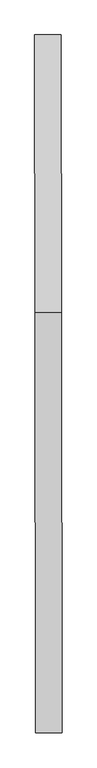
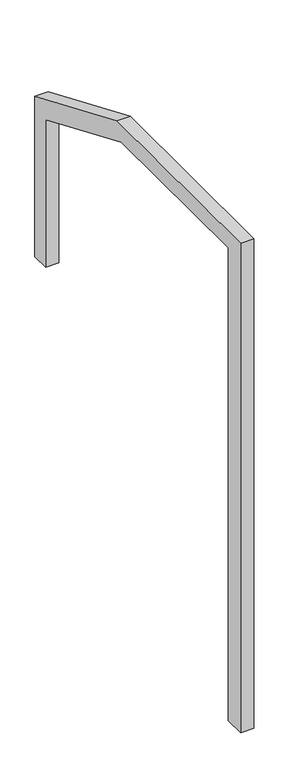
"""IFC4 building model written with IfcOpenShell, lengths in millimetres: proxy geometry."""

from ifc_helpers import new_model, si_unit, frame, origin, place, context, project, spatial, polyline, outline, extrude, source, transform, mapped, element, save


def generic_models_d37b98c9(model_context):
    return source(origin(), model_context, "Body", "SweptSolid", [
        extrude(outline(polyline([(0.0, 0.0), (0.0, 2199.0787284), (93.6670787, 2199.0787284), (93.6670787, -79.3622542), (-847.7474759, -79.3622542), (-1469.3481535, 184.4915791), (-1469.3481535, 930.721992), (-1388.8554339, 930.721992), (-1388.8554339, 244.6494434), (-812.4974637, 0.0), (0.0, 0.0)])), frame((-63951.4156485, 121479.9290485, 13360.721992), z_axis=(0.9999990131372021, 0.0014048930998798788, 0.0), x_axis=(0.0014048930998798788, -0.9999990131372021, 0.0)), (0.0, 0.0, 1.0), 59.222419),
    ])


if __name__ == "__main__":
    model = new_model("IFC4")
    model_context = context("Model", 3, world=origin())
    ifc_project = project(units=[si_unit("LENGTHUNIT", "METRE", prefix="MILLI")], contexts=[model_context])
    site = spatial("IfcSite", under=ifc_project)
    building = spatial("IfcBuilding", under=site)
    placement = place(None, origin())
    generic_models_shape = generic_models_d37b98c9(model_context)
    element("IfcBuildingElementProxy", 1, Name="Generic Models", at=placement, inside=building, context=model_context, shape_type="MappedRepresentation", body=[
        mapped(generic_models_shape, transform((0.0, 0.0, 0.0), x_axis=(1.0, 0.0, 0.0), y_axis=(0.0, 1.0, 0.0), z_axis=(0.0, 0.0, 1.0))),
    ])
    save(model, "model.ifc")
